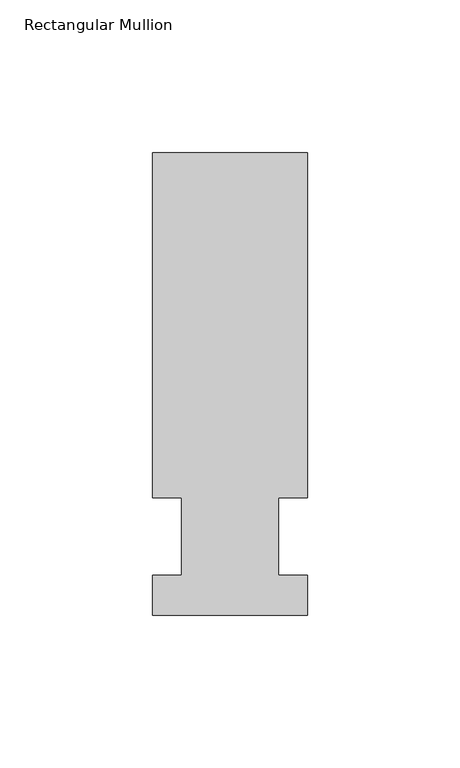
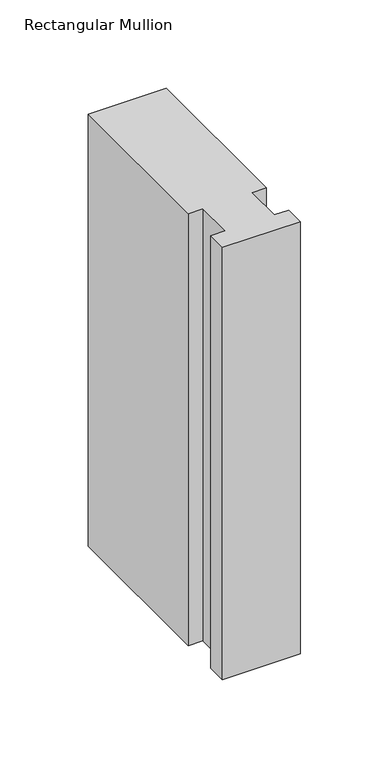
"""IFC4 building model written with IfcOpenShell, lengths in millimetres: member geometry, Rectangular Mullion."""

from ifc_helpers import new_model, si_unit, frame, origin, place, context, project, spatial, polyline, outline, extrude, source, transform, mapped, element, save


def rectangular_mullion_b134584c(model_context):
    return source(origin(), model_context, "Body", "SweptSolid", [
        extrude(outline(polyline([(-25.4, -25.796875), (-25.4, -12.7), (-15.875, -12.7), (-15.875, 12.7), (-25.4, 12.7), (-25.4, 125.809375), (25.4, 125.809375), (25.4, 12.7), (15.875, 12.7), (15.875, -12.7), (25.4, -12.7), (25.4, -25.796875), (-25.4, -25.796875)])), frame((0.0, 0.0, -298.45), z_axis=(0.0, 0.0, 1.0), x_axis=(1.0, 0.0, 0.0)), (0.0, 0.0, 1.0), 298.45),
    ])


if __name__ == "__main__":
    model = new_model("IFC4")
    model_context = context("Model", 3, world=origin())
    ifc_project = project(units=[si_unit("LENGTHUNIT", "METRE", prefix="MILLI")], contexts=[model_context])
    site = spatial("IfcSite", under=ifc_project)
    building = spatial("IfcBuilding", under=site)
    placement = place(None, origin())
    rectangular_mullion_shape = rectangular_mullion_b134584c(model_context)
    element("IfcMember", 1, ObjectType="Rectangular Mullion", at=placement, inside=building, context=model_context, shape_type="MappedRepresentation", body=[
        mapped(rectangular_mullion_shape, transform((0.0, 0.0, 0.0), x_axis=(1.0, 0.0, 0.0), y_axis=(0.0, 1.0, 0.0), z_axis=(0.0, 0.0, 1.0))),
    ])
    save(model, "model.ifc")
